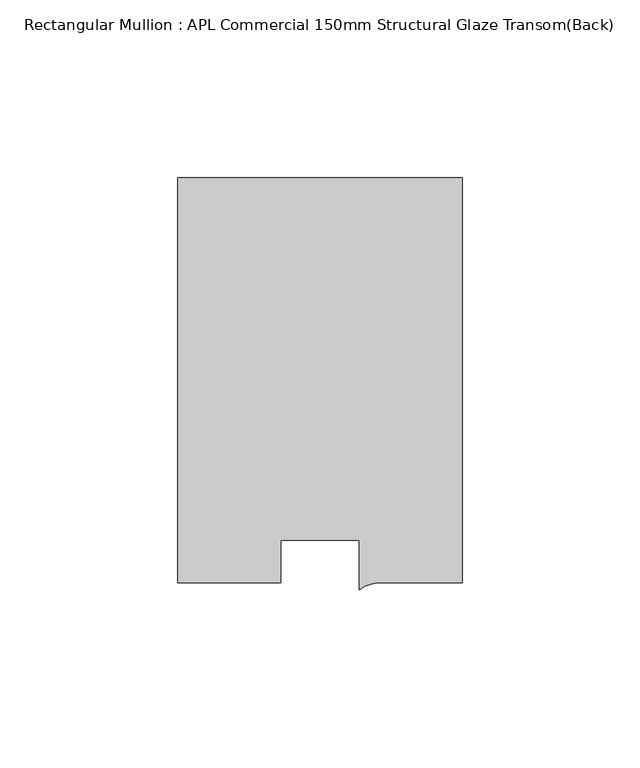
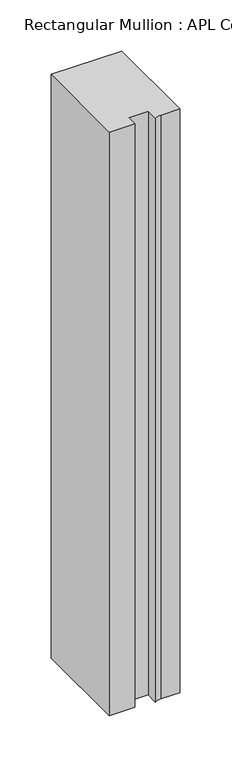
"""IFC4 building model written with IfcOpenShell, lengths in millimetres: member geometry, Rectangular Mullion : APL Commercial 150mm Structural Glaze Transom(Back)."""

from ifc_helpers import new_model, si_unit, point, frame, frame_2d, origin, place, context, project, spatial, polyline, circle_curve, trimmed, segment, composite_curve, outline, extrude, source, transform, mapped, element, save


def rectangular_mullion_apl_commercial_150mm_structural_glaze_b3bb6d4e(model_context):
    return source(origin(), model_context, "Body", "SweptSolid", [
        extrude(outline(composite_curve([segment(polyline([(40.0, 128.9999975), (40.0, 15.0000829), (17.9999542, 15.0000829)]), True, "CONTINUOUS"), segment(trimmed(circle_curve(frame_2d((17.1097719, 4.581653)), 10.4563907), [point((17.9999542, 15.0000829))], [point((11.0000151, 13.0673455))], True, "CARTESIAN"), True, "CONTINUOUS"), segment(polyline([(11.0000151, 13.0673455), (11.0000151, 27.0), (-11.0000151, 27.0), (-11.0000151, 15.0000829), (-40.0, 15.0000829), (-40.0, 128.9999975), (40.0, 128.9999975)]), True, "CONTINUOUS")], self_intersect=False)), frame((0.0, 0.0, -698.0499782), z_axis=(0.0, 0.0, 1.0), x_axis=(1.0, 0.0, 0.0)), (0.0, 0.0, 1.0), 698.0499782),
    ])


if __name__ == "__main__":
    model = new_model("IFC4")
    model_context = context("Model", 3, world=origin())
    ifc_project = project(units=[si_unit("LENGTHUNIT", "METRE", prefix="MILLI")], contexts=[model_context])
    site = spatial("IfcSite", under=ifc_project)
    building = spatial("IfcBuilding", under=site)
    placement = place(None, origin())
    rectangular_mullion_apl_commercial_150mm_structural_glaze_shape = rectangular_mullion_apl_commercial_150mm_structural_glaze_b3bb6d4e(model_context)
    element("IfcMember", 1, ObjectType="Rectangular Mullion : APL Commercial 150mm Structural Glaze Transom(Back)", at=placement, inside=building, context=model_context, shape_type="MappedRepresentation", body=[
        mapped(rectangular_mullion_apl_commercial_150mm_structural_glaze_shape, transform((0.0, 0.0, 0.0), x_axis=(1.0, 0.0, 0.0), y_axis=(0.0, 1.0, 0.0), z_axis=(0.0, 0.0, 1.0))),
    ])
    save(model, "model.ifc")
